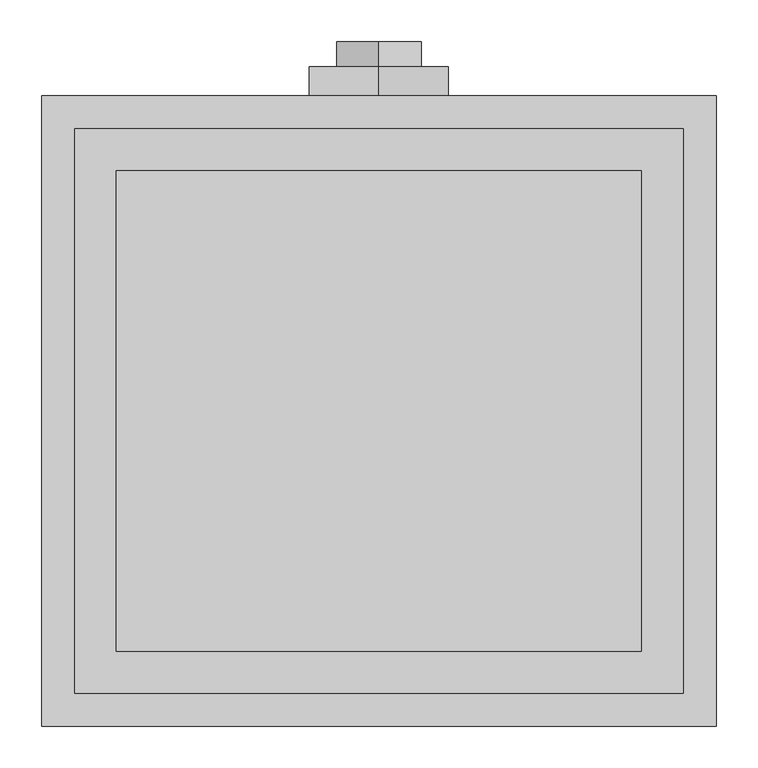
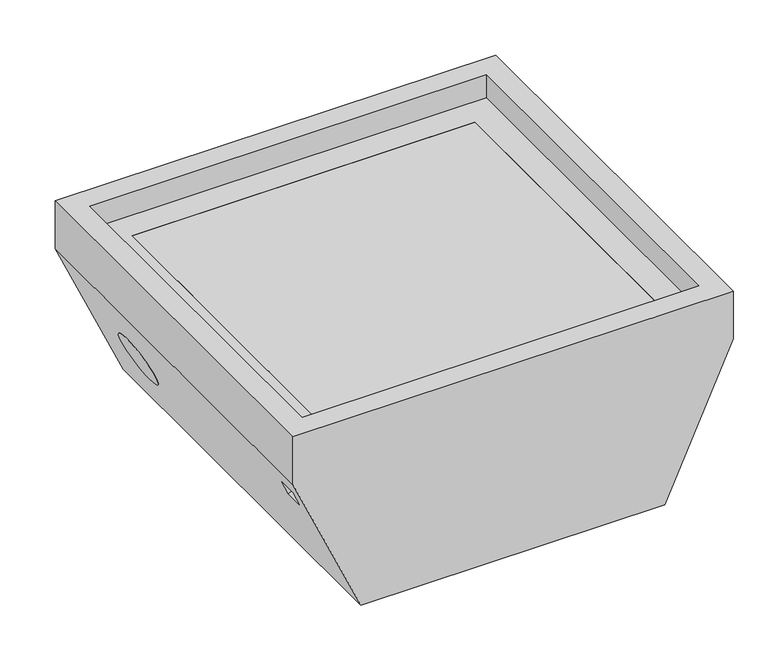
"""IFC4 building model written with IfcOpenShell, lengths in millimetres: proxy geometry."""

from ifc_helpers import new_model, si_unit, point, frame, frame_2d, origin, place, context, project, spatial, polyline, circle_curve, trimmed, segment, composite_curve, outline, extrude, faceted_brep, source, transform, mapped, element, save


def specialty_equipment_9bf98ec8(model_context):
    return source(origin(), model_context, "Body", "SolidModel", [
        extrude(outline(composite_curve([segment(trimmed(circle_curve(frame_2d((0.0, -51.9999999)), 52.0), [point((0.0, -104.0))], [point((0.0, 0.0))], False, "CARTESIAN"), True, "CONTINUOUS"), segment(trimmed(circle_curve(frame_2d((0.0, -51.9999999)), 52.0), [point((0.0, 0.0))], [point((0.0, -104.0))], False, "CARTESIAN"), True, "CONTINUOUS")], self_intersect=False)), frame((318.6952306, 606.3127496, -317.9763398), z_axis=(-0.911982656783314, 0.0, 0.41022875780038653), x_axis=(0.0, 1.0, 0.0)), (0.0, 0.0, 1.0), 5.0),
        extrude(outline(composite_curve([segment(trimmed(circle_curve(frame_2d((0.0, -52.0)), 52.0), [point((0.0, -104.0))], [point((0.0, 0.0))], False, "CARTESIAN"), True, "CONTINUOUS"), segment(trimmed(circle_curve(frame_2d((0.0, -52.0)), 52.0), [point((0.0, 0.0))], [point((0.0, -104.0))], False, "CARTESIAN"), True, "CONTINUOUS")], self_intersect=False)), frame((-318.6297828, 606.3087946, -318.1218374), z_axis=(0.9119826567833238, 0.0, 0.41022875780036466), x_axis=(0.0, -1.0, 0.0)), (0.0, 0.0, 1.0), 1.0),
        extrude(outline(composite_curve([segment(trimmed(circle_curve(frame_2d((0.0, -6.4)), 6.4), [point((0.0, -12.8))], [point((0.0, 0.0))], False, "CARTESIAN"), True, "CONTINUOUS"), segment(trimmed(circle_curve(frame_2d((0.0, -6.4)), 6.4), [point((0.0, 0.0))], [point((0.0, -12.8))], False, "CARTESIAN"), True, "CONTINUOUS")], self_intersect=False)), frame((-364.4417883, 53.51472, -184.2647645), z_axis=(0.9119826567833238, 0.0, 0.4102287578003647), x_axis=(0.0, -1.0, 0.0)), (0.0, 0.0, 1.0), 30.3526457),
        extrude(outline(polyline([(-315.5, 668.0), (315.5, 668.0), (315.5, 90.0), (-315.5, 90.0), (-315.5, 668.0)])), frame((0.0, 0.0, -87.0), z_axis=(0.0, 0.0, 1.0), x_axis=(1.0, 0.0, 0.0)), (0.0, 0.0, 1.0), 10.0),
        extrude(outline(polyline([(-365.5, 718.0), (365.5, 718.0), (365.5, 40.0), (-365.5, 40.0), (-365.5, 718.0)]), holes=[polyline([(-315.5, 668.0), (-315.5, 90.0), (315.5, 90.0), (315.5, 668.0), (-315.5, 668.0)])]), frame((0.0, 0.0, -87.0), z_axis=(0.0, 0.0, 1.0), x_axis=(1.0, 0.0, 0.0)), (0.0, 0.0, 1.0), 10.0),
        faceted_brep([(-405.5, 0.0, -32.0), (-405.5, 0.0, -125.0), (-280.0, 0.0, -404.0), (280.0, 0.0, -404.0), (405.5, 0.0, -125.0), (405.5, 0.0, -32.0), (-405.5, 758.0, -32.0), (405.5, 758.0, -32.0), (405.5, 758.0, -125.0), (280.0, 758.0, -404.0), (-280.0, 758.0, -404.0), (-405.5, 758.0, -125.0), (-373.1861912, 35.5106017, -196.8370729), (-373.1861912, 70.5106017, -196.8370729), (-385.493054, 70.5106017, -169.4775932), (-385.493054, 35.5106017, -169.4775932), (378.8178285, 88.5161385, -184.3173375), (378.8178285, 28.5161385, -184.3173375), (395.2269788, 28.5161385, -147.8380312), (395.2269788, 88.5161385, -147.8380312), (-365.5, 718.0, -32.0), (365.5, 718.0, -32.0), (365.5, 40.0, -32.0), (-365.5, 40.0, -32.0), (365.5, 718.0, -102.0), (-365.5, 718.0, -102.0), (-265.5, 718.0, -335.4549429), (265.5, 718.0, -335.4549429), (365.5, 40.0, -102.0), (265.5, 40.0, -335.4549429), (-265.5, 40.0, -335.4549429), (-365.5, 40.0, -102.0), (361.2872596, 28.5161385, -176.4317232), (361.2872596, 88.5161385, -176.4317232), (377.6964099, 88.5161385, -139.9524169), (377.6964099, 28.5161385, -139.9524169), (-333.5287057, 70.5106017, -178.9983115), (-333.5287057, 35.5106017, -178.9983115), (-345.8355684, 35.5106017, -151.6388318), (-345.8355684, 70.5106017, -151.6388318)], [[[0, 1, 2, 3, 4, 5]], [[6, 7, 8, 9, 10, 11]], [[1, 0, 6, 11]], [[2, 1, 11, 10], [12, 13, 14, 15]], [[3, 2, 10, 9]], [[4, 3, 9, 8], [16, 17, 18, 19]], [[5, 4, 8, 7]], [[0, 5, 7, 6], [20, 21, 22, 23]], [[24, 21, 20, 25, 26, 27]], [[28, 29, 30, 31, 23, 22]], [[21, 24, 28, 22]], [[25, 20, 23, 31]], [[26, 25, 31, 30]], [[27, 26, 30, 29]], [[24, 27, 29, 28]], [[32, 33, 34, 35]], [[33, 32, 17, 16]], [[34, 33, 16, 19]], [[35, 34, 19, 18]], [[32, 35, 18, 17]], [[36, 37, 38, 39]], [[37, 36, 13, 12]], [[38, 37, 12, 15]], [[39, 38, 15, 14]], [[36, 39, 14, 13]]]),
        extrude(outline(composite_curve([segment(trimmed(circle_curve(frame_2d((-294.2630153, 0.0)), 51.0), [point((-243.2630153, 0.0))], [point((-345.2630153, 0.0))], False, "CARTESIAN"), True, "CONTINUOUS"), segment(trimmed(circle_curve(frame_2d((-294.2630153, 0.0)), 51.0), [point((-345.2630153, 0.0))], [point((-243.2630153, 0.0))], False, "CARTESIAN"), True, "CONTINUOUS")], self_intersect=False)), frame((0.0, 793.0, 0.0), z_axis=(0.0, 1.0, 0.0), x_axis=(0.0, 0.0, 1.0)), (0.0, 0.0, 1.0), 30.0),
        extrude(outline(composite_curve([segment(trimmed(circle_curve(frame_2d((-294.2630153, 0.0)), 84.0), [point((-378.2630153, 0.0))], [point((-210.2630153, 0.0))], False, "CARTESIAN"), True, "CONTINUOUS"), segment(trimmed(circle_curve(frame_2d((-294.2630153, 0.0)), 84.0), [point((-210.2630153, 0.0))], [point((-378.2630153, 0.0))], False, "CARTESIAN"), True, "CONTINUOUS")], self_intersect=False)), frame((0.0, 758.0, 0.0), z_axis=(0.0, 1.0, 0.0), x_axis=(0.0, 0.0, 1.0)), (0.0, 0.0, 1.0), 35.0),
        extrude(outline(polyline([(-87.0, 360.5), (-87.0, -360.5), (-100.9742029, -360.5), (-330.4549429, -262.2023426), (-330.4549429, 262.2023426), (-100.9742029, 360.5), (-87.0, 360.5)])), frame((0.0, 45.0, 0.0), z_axis=(0.0, 1.0, 0.0), x_axis=(0.0, 0.0, 1.0)), (0.0, 0.0, 1.0), 5.0),
        extrude(outline(polyline([(-335.4549429, 265.5), (-102.0, 365.5), (-87.0, 365.5), (-87.0, 360.5), (-100.9742029, 360.5), (-330.4549429, 262.2023426), (-330.4549429, -262.2023426), (-100.9742029, -360.5), (-87.0, -360.5), (-87.0, -365.5), (-102.0, -365.5), (-335.4549429, -265.5), (-335.4549429, 265.5)])), frame((0.0, 45.0, 0.0), z_axis=(0.0, 1.0, 0.0), x_axis=(0.0, 0.0, 1.0)), (0.0, 0.0, 1.0), 673.0),
        extrude(outline(polyline([(-335.4549429, 265.5), (-102.0, 365.5), (-87.0, 365.5), (-87.0, -365.5), (-102.0, -365.5), (-335.4549429, -265.5), (-335.4549429, 265.5)])), frame((0.0, 40.0, 0.0), z_axis=(0.0, 1.0, 0.0), x_axis=(0.0, 0.0, 1.0)), (0.0, 0.0, 1.0), 5.0),
    ])


if __name__ == "__main__":
    model = new_model("IFC4")
    model_context = context("Model", 3, world=origin())
    ifc_project = project(units=[si_unit("LENGTHUNIT", "METRE", prefix="MILLI")], contexts=[model_context])
    site = spatial("IfcSite", under=ifc_project)
    building = spatial("IfcBuilding", under=site)
    placement = place(None, origin())
    specialty_equipment_shape = specialty_equipment_9bf98ec8(model_context)
    element("IfcBuildingElementProxy", 1, Name="Specialty Equipment", at=placement, inside=building, context=model_context, shape_type="MappedRepresentation", body=[
        mapped(specialty_equipment_shape, transform((0.0, 0.0, 0.0), x_axis=(1.0, 0.0, 0.0), y_axis=(0.0, 1.0, 0.0), z_axis=(0.0, 0.0, 1.0))),
    ])
    save(model, "model.ifc")
